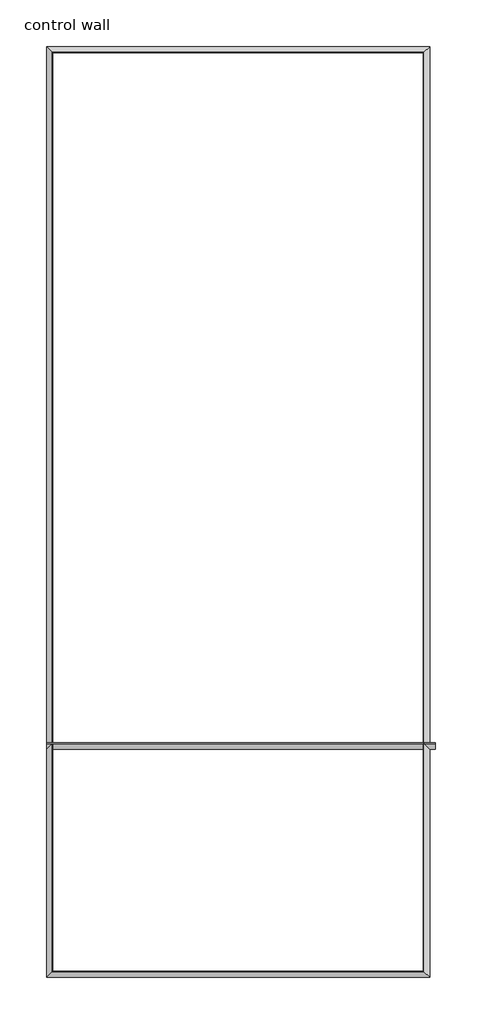
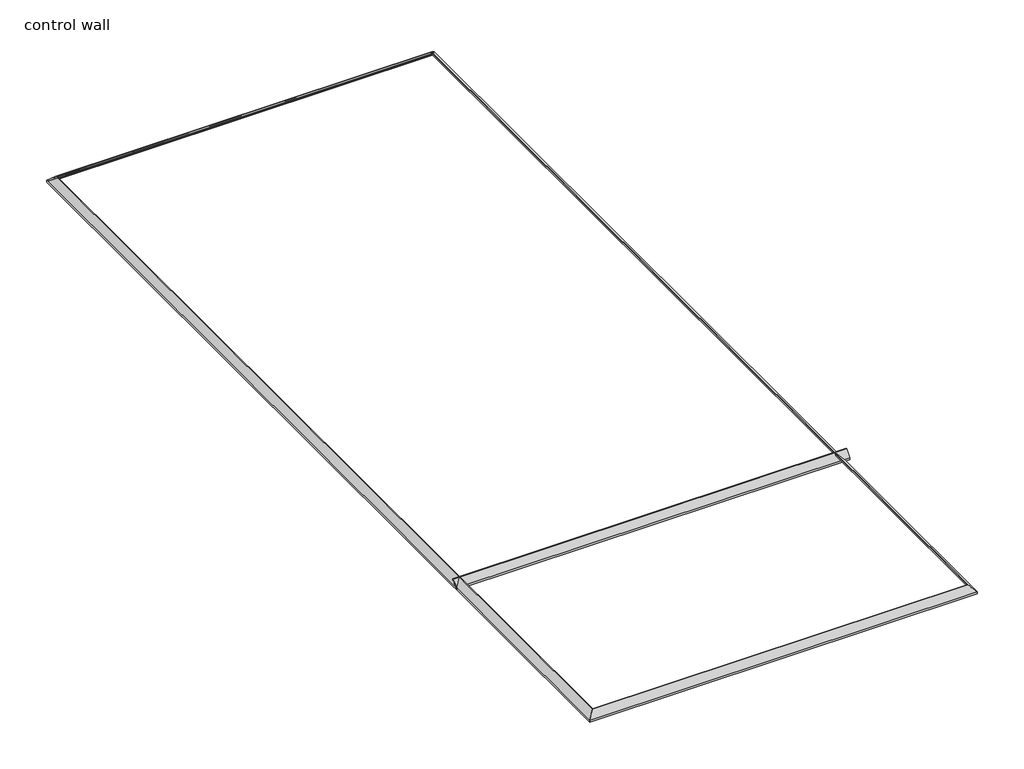
# One storey: 5 proxies.
"""IFC4 building model written with IfcOpenShell, lengths in millimetres."""

from ifc_helpers import new_model, si_unit, point, frame, frame_2d, origin, place, context, project, spatial, polyline, circle_curve, ellipse_curve, trimmed, segment, composite_curve, outline, extrude, element, save
from ifc_brep_helpers import plane_surface, cylinder_surface, revolved_surface, advanced_brep

model = new_model("IFC4")

# Units and contexts
model_context = context("Model", 3, world=origin())
ifc_project = project(units=[si_unit("LENGTHUNIT", "METRE", prefix="MILLI")], contexts=[model_context])

# Site, building, storey
site = spatial("IfcSite", under=ifc_project)
building = spatial("IfcBuilding", under=site)
storey = spatial("IfcBuildingStorey", under=building, Name="control wall", Elevation=2133.6)

# Proxies
placement = place(None, origin())
element("IfcBuildingElementProxy", 1, Name="Wall Sweeps", at=placement, inside=storey, context=model_context, shape_type="AdvancedBrep", body=[
    advanced_brep(
    [(23028.5034085, -20218.7482964, 2982.9793892), (22963.4827977, -20153.7276856, 3048.0), (22955.3800997, -20145.6249876, 3048.0), (22955.3800997, -20145.6249876, 3028.95), (22965.0034085, -20155.2482964, 3028.95), (22985.5280884, -20175.7729763, 3008.4253202), (23006.0527682, -20196.2976561, 2987.9006403), (23006.0527682, -20196.2976561, 2981.5506403), (23019.5231524, -20209.7680403, 2968.0802561), (23019.5231524, -20209.7680403, 2959.1), (23028.5034085, -20218.7482964, 2959.1), (23028.5034085, -9553.9232964, 2982.9793892), (23028.5034085, -9553.9232964, 2959.1), (23019.5231524, -9562.9035525, 2959.1), (23019.5231524, -9562.9035525, 2968.0802561), (23006.0527682, -9576.3739367, 2981.5506403), (23006.0527682, -9576.3739367, 2987.9006403), (22985.5280884, -9596.8986166, 3008.4253202), (22965.0034085, -9617.4232964, 3028.95), (22955.3800997, -9627.0466052, 3028.95), (22955.3800997, -9627.0466052, 3048.0), (22963.4827977, -9618.9439072, 3048.0)],
    [
        (0, 1),
        (1, 2),
        (2, 3),
        (3, 4),
        (4, 5, ellipse_curve(frame((22965.0034085, -20155.2482964, 3008.4253202), z_axis=(0.7071067811865547, 0.7071067811865405, 0.0), x_axis=(-0.7071067811865406, 0.7071067811865545, 0.0)), 29.0262806, 20.5246798)),
        (5, 6, ellipse_curve(frame((23006.0527682, -20196.2976561, 3008.4253202), z_axis=(-0.7071067811865547, -0.7071067811865405, 0.0), x_axis=(0.7071067811865406, -0.7071067811865545, 0.0)), 29.0262806, 20.5246798)),
        (6, 7),
        (7, 8, ellipse_curve(frame((23006.0527682, -20196.2976561, 2968.0802561), z_axis=(0.7071067811865547, 0.7071067811865405, 0.0), x_axis=(-0.7071067811865406, 0.7071067811865545, 0.0)), 19.05, 13.4703842)),
        (8, 9),
        (9, 10),
        (10, 0),
        (11, 12),
        (12, 13),
        (13, 14),
        (14, 15, ellipse_curve(frame((23006.0527682, -9576.3739367, 2968.0802561), z_axis=(0.707106781186544, -0.7071067811865511, 0.0), x_axis=(0.7071067811865511, 0.7071067811865438, 0.0)), 19.05, 13.4703842)),
        (15, 16),
        (16, 17, ellipse_curve(frame((23006.0527682, -9576.3739367, 3008.4253202), z_axis=(-0.707106781186544, 0.7071067811865511, 0.0), x_axis=(-0.7071067811865511, -0.7071067811865438, 0.0)), 29.0262806, 20.5246798)),
        (17, 18, ellipse_curve(frame((22965.0034085, -9617.4232964, 3008.4253202), z_axis=(0.707106781186544, -0.7071067811865511, 0.0), x_axis=(0.7071067811865511, 0.7071067811865438, 0.0)), 29.0262806, 20.5246798)),
        (18, 19),
        (19, 20),
        (20, 21),
        (21, 11),
        (10, 12),
        (11, 0),
        (1, 21),
        (20, 2),
        (19, 3),
        (18, 4),
        (17, 5),
        (16, 6),
        (15, 7),
        (14, 8),
        (13, 9),
    ],
    [
        plane_surface(frame((23028.5034085, -20218.7482964, 2654.3), z_axis=(-0.7071067811865547, -0.7071067811865405, 0.0), x_axis=(-0.7071067811865405, 0.7071067811865547, 0.0))),
        plane_surface(frame((23028.5034085, -9553.9232964, 2654.3), z_axis=(-0.707106781186544, 0.7071067811865511, 0.0), x_axis=(-0.7071067811865511, -0.707106781186544, 0.0))),
        plane_surface(frame((23028.5034085, -20218.7482964, 2959.1), z_axis=(1.0, 0.0, 0.0), x_axis=(0.0, 1.0, 0.0))),
        plane_surface(frame((22963.4827977, -20153.7276856, 3048.0), z_axis=(0.0, 0.0, 1.0), x_axis=(0.0, 1.0, 0.0))),
        plane_surface(frame((23028.5034085, -20218.7482964, 2982.9793892), z_axis=(0.707106781186547, 0.0, 0.707106781186548), x_axis=(0.0, 1.0, 0.0))),
        plane_surface(frame((22955.3800997, -20145.6249876, 3048.0), z_axis=(-1.0, 0.0, 0.0), x_axis=(0.0, 1.0, 0.0))),
        plane_surface(frame((22955.3800997, -20145.6249876, 3028.95), z_axis=(0.0, 0.0, -1.0), x_axis=(0.0, 1.0, 0.0))),
        revolved_surface(polyline([(22944.4787287, -9596.898616555116, 3008.4253202), (22944.4787287, -20175.7729763, 3008.4253202)]), (22965.0034085, -20218.7482964, 3008.4253202), (0.0, 1.0, 0.0)),
        cylinder_surface(frame((23006.0527682, -20218.7482964, 3008.4253202), z_axis=(0.0, -1.0, 0.0), x_axis=(-1.0, 0.0, 0.0)), 20.5246798),
        plane_surface(frame((23006.0527682, -20196.2976561, 2987.9006403), z_axis=(-1.0, 0.0, 0.0), x_axis=(0.0, 1.0, 0.0))),
        revolved_surface(polyline([(22992.582383999998, -9562.9035525, 2968.0802561), (22992.582383999998, -20209.7680403, 2968.0802561)]), (23006.0527682, -20218.7482964, 2968.0802561), (0.0, 1.0, 0.0)),
        plane_surface(frame((23019.5231524, -20209.7680403, 2968.0802561), z_axis=(-1.0, 0.0, 0.0), x_axis=(0.0, 1.0, 0.0))),
        plane_surface(frame((23019.5231524, -20209.7680403, 2959.1), z_axis=(0.0, 0.0, -1.0), x_axis=(0.0, 1.0, 0.0))),
    ],
    [
        (0, [[1, 2, 3, 4, 5, 6, 7, 8, 9, 10, 11]]),
        (1, [[12, 13, 14, 15, 16, 17, 18, 19, 20, 21, 22]]),
        (2, [[-11, 23, -12, 24]]),
        (3, [[-2, 25, -21, 26]]),
        (4, [[-1, -24, -22, -25]]),
        (5, [[-3, -26, -20, 27]]),
        (6, [[-4, -27, -19, 28]]),
        (7, [[-5, -28, -18, 29]]),
        (8, [[-6, -29, -17, 30]]),
        (9, [[-7, -30, -16, 31]]),
        (10, [[-8, -31, -15, 32]]),
        (11, [[-9, -32, -14, 33]]),
        (12, [[-10, -33, -13, -23]]),
    ],
),
])
element("IfcBuildingElementProxy", 2, Name="Wall Sweeps", at=placement, inside=storey, context=model_context, shape_type="AdvancedBrep", body=[
    advanced_brep(
    [(23028.5034085, -9553.9232964, 2982.9793892), (22963.4827977, -9618.9439072, 3048.0), (22955.3800997, -9627.0466052, 3048.0), (22955.3800997, -9627.0466052, 3028.95), (22965.0034085, -9617.4232964, 3028.95), (22985.5280884, -9596.8986166, 3008.4253202), (23006.0527682, -9576.3739367, 2987.9006403), (23006.0527682, -9576.3739367, 2981.5506403), (23019.5231524, -9562.9035525, 2968.0802561), (23019.5231524, -9562.9035525, 2959.1), (23028.5034085, -9553.9232964, 2959.1), (18634.3034085, -9553.9232964, 2982.9793892), (18634.3034085, -9553.9232964, 2959.1), (18643.2836647, -9562.9035525, 2959.1), (18643.2836647, -9562.9035525, 2968.0802561), (18656.7540489, -9576.3739367, 2981.5506403), (18656.7540489, -9576.3739367, 2987.9006403), (18677.2787287, -9596.8986166, 3008.4253202), (18697.8034085, -9617.4232964, 3028.95), (18707.4267173, -9627.0466052, 3028.95), (18707.4267173, -9627.0466052, 3048.0), (18699.3240194, -9618.9439072, 3048.0)],
    [
        (0, 1),
        (1, 2),
        (2, 3),
        (3, 4),
        (4, 5, ellipse_curve(frame((22965.0034085, -9617.4232964, 3008.4253202), z_axis=(-0.707106781186544, 0.7071067811865511, 0.0), x_axis=(-0.707106781186551, -0.707106781186544, 0.0)), 29.0262806, 20.5246798)),
        (5, 6, ellipse_curve(frame((23006.0527682, -9576.3739367, 3008.4253202), z_axis=(0.707106781186544, -0.7071067811865511, 0.0), x_axis=(0.707106781186551, 0.707106781186544, 0.0)), 29.0262806, 20.5246798)),
        (6, 7),
        (7, 8, ellipse_curve(frame((23006.0527682, -9576.3739367, 2968.0802561), z_axis=(-0.707106781186544, 0.7071067811865511, 0.0), x_axis=(-0.707106781186551, -0.707106781186544, 0.0)), 19.05, 13.4703842)),
        (8, 9),
        (9, 10),
        (10, 0),
        (11, 12),
        (12, 13),
        (13, 14),
        (14, 15, ellipse_curve(frame((18656.7540489, -9576.3739367, 2968.0802561), z_axis=(0.7071067811865476, 0.7071067811865476, 0.0), x_axis=(-0.7071067811865474, 0.7071067811865477, 0.0)), 19.05, 13.4703842)),
        (15, 16),
        (16, 17, ellipse_curve(frame((18656.7540489, -9576.3739367, 3008.4253202), z_axis=(-0.7071067811865476, -0.7071067811865476, 0.0), x_axis=(0.7071067811865474, -0.7071067811865477, 0.0)), 29.0262806, 20.5246798)),
        (17, 18, ellipse_curve(frame((18697.8034085, -9617.4232964, 3008.4253202), z_axis=(0.7071067811865476, 0.7071067811865476, 0.0), x_axis=(-0.7071067811865474, 0.7071067811865477, 0.0)), 29.0262806, 20.5246798)),
        (18, 19),
        (19, 20),
        (20, 21),
        (21, 11),
        (1, 21),
        (20, 2),
        (10, 12),
        (11, 0),
        (19, 3),
        (18, 4),
        (17, 5),
        (16, 6),
        (15, 7),
        (14, 8),
        (13, 9),
    ],
    [
        plane_surface(frame((23028.5034085, -9553.9232964, 2654.3), z_axis=(0.707106781186544, -0.7071067811865511, 0.0), x_axis=(-0.7071067811865511, -0.707106781186544, 0.0))),
        plane_surface(frame((18634.3034085, -9553.9232964, 2654.3), z_axis=(-0.7071067811865476, -0.7071067811865476, 0.0), x_axis=(0.7071067811865476, -0.7071067811865476, 0.0))),
        plane_surface(frame((22963.4827977, -9618.9439072, 3048.0), z_axis=(0.0, 0.0, 1.0), x_axis=(-1.0, 0.0, 0.0))),
        plane_surface(frame((23028.5034085, -9553.9232964, 2959.1), z_axis=(0.0, 1.0, 0.0), x_axis=(-1.0, 0.0, 0.0))),
        plane_surface(frame((23028.5034085, -9553.9232964, 2982.9793892), z_axis=(0.0, 0.707106781186547, 0.707106781186548), x_axis=(-1.0, 0.0, 0.0))),
        plane_surface(frame((22955.3800997, -9627.0466052, 3048.0), z_axis=(0.0, -1.0, 0.0), x_axis=(-1.0, 0.0, 0.0))),
        plane_surface(frame((22955.3800997, -9627.0466052, 3028.95), z_axis=(0.0, 0.0, -1.0), x_axis=(-1.0, 0.0, 0.0))),
        revolved_surface(polyline([(18677.278728655117, -9637.947976200001, 3008.4253202), (22985.5280884, -9637.947976200001, 3008.4253202)]), (23028.5034085, -9617.4232964, 3008.4253202), (-1.0, 0.0, 0.0)),
        cylinder_surface(frame((23028.5034085, -9576.3739367, 3008.4253202), z_axis=(1.0, 0.0, 0.0), x_axis=(0.0, -1.0, 0.0)), 20.5246798),
        plane_surface(frame((23006.0527682, -9576.3739367, 2987.9006403), z_axis=(0.0, -1.0, 0.0), x_axis=(-1.0, 0.0, 0.0))),
        revolved_surface(polyline([(18643.2836647, -9589.8443209, 2968.0802561), (23019.5231524, -9589.8443209, 2968.0802561)]), (23028.5034085, -9576.3739367, 2968.0802561), (-1.0, 0.0, 0.0)),
        plane_surface(frame((23019.5231524, -9562.9035525, 2968.0802561), z_axis=(0.0, -1.0, 0.0), x_axis=(-1.0, 0.0, 0.0))),
        plane_surface(frame((23019.5231524, -9562.9035525, 2959.1), z_axis=(0.0, 0.0, -1.0), x_axis=(-1.0, 0.0, 0.0))),
    ],
    [
        (0, [[1, 2, 3, 4, 5, 6, 7, 8, 9, 10, 11]]),
        (1, [[12, 13, 14, 15, 16, 17, 18, 19, 20, 21, 22]]),
        (2, [[-2, 23, -21, 24]]),
        (3, [[-11, 25, -12, 26]]),
        (4, [[-1, -26, -22, -23]]),
        (5, [[-3, -24, -20, 27]]),
        (6, [[-4, -27, -19, 28]]),
        (7, [[-5, -28, -18, 29]]),
        (8, [[-6, -29, -17, 30]]),
        (9, [[-7, -30, -16, 31]]),
        (10, [[-8, -31, -15, 32]]),
        (11, [[-9, -32, -14, 33]]),
        (12, [[-10, -33, -13, -25]]),
    ],
),
])
element("IfcBuildingElementProxy", 3, Name="Wall Sweeps", at=placement, inside=storey, context=model_context, shape_type="AdvancedBrep", body=[
    advanced_brep(
    [(18634.3034085, -9553.9232964, 2982.9793892), (18699.3240194, -9618.9439072, 3048.0), (18707.4267173, -9627.0466052, 3048.0), (18707.4267173, -9627.0466052, 3028.95), (18697.8034085, -9617.4232964, 3028.95), (18677.2787287, -9596.8986166, 3008.4253202), (18656.7540489, -9576.3739367, 2987.9006403), (18656.7540489, -9576.3739367, 2981.5506403), (18643.2836647, -9562.9035525, 2968.0802561), (18643.2836647, -9562.9035525, 2959.1), (18634.3034085, -9553.9232964, 2959.1), (18634.3034085, -20218.7482964, 2982.9793892), (18634.3034085, -20218.7482964, 2959.1), (18643.2836647, -20209.7680403, 2959.1), (18643.2836647, -20209.7680403, 2968.0802561), (18656.7540489, -20196.2976561, 2981.5506403), (18656.7540489, -20196.2976561, 2987.9006403), (18677.2787287, -20175.7729763, 3008.4253202), (18697.8034085, -20155.2482964, 3028.95), (18707.4267173, -20145.6249876, 3028.95), (18707.4267173, -20145.6249876, 3048.0), (18699.3240194, -20153.7276856, 3048.0)],
    [
        (0, 1),
        (1, 2),
        (2, 3),
        (3, 4),
        (4, 5, ellipse_curve(frame((18697.8034085, -9617.4232964, 3008.4253202), z_axis=(-0.7071067811865476, -0.7071067811865476, 0.0), x_axis=(0.7071067811865475, -0.7071067811865475, 0.0)), 29.0262806, 20.5246798)),
        (5, 6, ellipse_curve(frame((18656.7540489, -9576.3739367, 3008.4253202), z_axis=(0.7071067811865476, 0.7071067811865476, 0.0), x_axis=(-0.7071067811865475, 0.7071067811865475, 0.0)), 29.0262806, 20.5246798)),
        (6, 7),
        (7, 8, ellipse_curve(frame((18656.7540489, -9576.3739367, 2968.0802561), z_axis=(-0.7071067811865476, -0.7071067811865476, 0.0), x_axis=(0.7071067811865475, -0.7071067811865475, 0.0)), 19.05, 13.4703842)),
        (8, 9),
        (9, 10),
        (10, 0),
        (11, 12),
        (12, 13),
        (13, 14),
        (14, 15, ellipse_curve(frame((18656.7540489, -20196.2976561, 2968.0802561), z_axis=(-0.707106781186544, 0.7071067811865511, 0.0), x_axis=(-0.7071067811865511, -0.7071067811865439, 0.0)), 19.05, 13.4703842)),
        (15, 16),
        (16, 17, ellipse_curve(frame((18656.7540489, -20196.2976561, 3008.4253202), z_axis=(0.707106781186544, -0.7071067811865511, 0.0), x_axis=(0.7071067811865511, 0.7071067811865439, 0.0)), 29.0262806, 20.5246798)),
        (17, 18, ellipse_curve(frame((18697.8034085, -20155.2482964, 3008.4253202), z_axis=(-0.707106781186544, 0.7071067811865511, 0.0), x_axis=(-0.7071067811865511, -0.7071067811865439, 0.0)), 29.0262806, 20.5246798)),
        (18, 19),
        (19, 20),
        (20, 21),
        (21, 11),
        (1, 21),
        (20, 2),
        (10, 12),
        (11, 0),
        (19, 3),
        (18, 4),
        (17, 5),
        (16, 6),
        (15, 7),
        (14, 8),
        (13, 9),
    ],
    [
        plane_surface(frame((18634.3034085, -9553.9232964, 2654.3), z_axis=(0.7071067811865476, 0.7071067811865476, 0.0), x_axis=(0.7071067811865476, -0.7071067811865476, 0.0))),
        plane_surface(frame((18634.3034085, -20218.7482964, 2654.3), z_axis=(0.707106781186544, -0.7071067811865511, 0.0), x_axis=(0.7071067811865511, 0.707106781186544, 0.0))),
        plane_surface(frame((18699.3240194, -9618.9439072, 3048.0), z_axis=(0.0, 0.0, 1.0), x_axis=(0.0, -1.0, 0.0))),
        plane_surface(frame((18634.3034085, -9553.9232964, 2959.1), z_axis=(-1.0, 0.0, 0.0), x_axis=(0.0, -1.0, 0.0))),
        plane_surface(frame((18634.3034085, -9553.9232964, 2982.9793892), z_axis=(-0.707106781186547, 0.0, 0.707106781186548), x_axis=(0.0, -1.0, 0.0))),
        plane_surface(frame((18707.4267173, -9627.0466052, 3048.0), z_axis=(1.0, 0.0, 0.0), x_axis=(0.0, -1.0, 0.0))),
        plane_surface(frame((18707.4267173, -9627.0466052, 3028.95), z_axis=(0.0, 0.0, -1.0), x_axis=(0.0, -1.0, 0.0))),
        revolved_surface(polyline([(18718.3280883, -20175.7729763, 3008.4253202), (18718.3280883, -9596.898616555116, 3008.4253202)]), (18697.8034085, -9553.9232964, 3008.4253202), (0.0, -1.0, 0.0)),
        cylinder_surface(frame((18656.7540489, -9553.9232964, 3008.4253202), z_axis=(0.0, 1.0, 0.0), x_axis=(1.0, 0.0, 0.0)), 20.5246798),
        plane_surface(frame((18656.7540489, -9576.3739367, 2987.9006403), z_axis=(1.0, 0.0, 0.0), x_axis=(0.0, -1.0, 0.0))),
        revolved_surface(polyline([(18670.2244331, -20209.7680403, 2968.0802561), (18670.2244331, -9562.9035525, 2968.0802561)]), (18656.7540489, -9553.9232964, 2968.0802561), (0.0, -1.0, 0.0)),
        plane_surface(frame((18643.2836647, -9562.9035525, 2968.0802561), z_axis=(1.0, 0.0, 0.0), x_axis=(0.0, -1.0, 0.0))),
        plane_surface(frame((18643.2836647, -9562.9035525, 2959.1), z_axis=(0.0, 0.0, -1.0), x_axis=(0.0, -1.0, 0.0))),
    ],
    [
        (0, [[1, 2, 3, 4, 5, 6, 7, 8, 9, 10, 11]]),
        (1, [[12, 13, 14, 15, 16, 17, 18, 19, 20, 21, 22]]),
        (2, [[-2, 23, -21, 24]]),
        (3, [[-11, 25, -12, 26]]),
        (4, [[-1, -26, -22, -23]]),
        (5, [[-3, -24, -20, 27]]),
        (6, [[-4, -27, -19, 28]]),
        (7, [[-5, -28, -18, 29]]),
        (8, [[-6, -29, -17, 30]]),
        (9, [[-7, -30, -16, 31]]),
        (10, [[-8, -31, -15, 32]]),
        (11, [[-9, -32, -14, 33]]),
        (12, [[-10, -33, -13, -25]]),
    ],
),
])
element("IfcBuildingElementProxy", 4, Name="Wall Sweeps", at=placement, inside=storey, context=model_context, shape_type="AdvancedBrep", body=[
    advanced_brep(
    [(18634.3034085, -20218.7482964, 2982.9793892), (18699.3240194, -20153.7276856, 3048.0), (18707.4267173, -20145.6249876, 3048.0), (18707.4267173, -20145.6249876, 3028.95), (18697.8034085, -20155.2482964, 3028.95), (18677.2787287, -20175.7729763, 3008.4253202), (18656.7540489, -20196.2976561, 2987.9006403), (18656.7540489, -20196.2976561, 2981.5506403), (18643.2836647, -20209.7680403, 2968.0802561), (18643.2836647, -20209.7680403, 2959.1), (18634.3034085, -20218.7482964, 2959.1), (23028.5034085, -20218.7482964, 2982.9793892), (23028.5034085, -20218.7482964, 2959.1), (23019.5231524, -20209.7680403, 2959.1), (23019.5231524, -20209.7680403, 2968.0802561), (23006.0527682, -20196.2976561, 2981.5506403), (23006.0527682, -20196.2976561, 2987.9006403), (22985.5280884, -20175.7729763, 3008.4253202), (22965.0034085, -20155.2482964, 3028.95), (22955.3800997, -20145.6249876, 3028.95), (22955.3800997, -20145.6249876, 3048.0), (22963.4827977, -20153.7276856, 3048.0)],
    [
        (0, 1),
        (1, 2),
        (2, 3),
        (3, 4),
        (4, 5, ellipse_curve(frame((18697.8034085, -20155.2482964, 3008.4253202), z_axis=(0.707106781186544, -0.7071067811865511, 0.0), x_axis=(0.7071067811865509, 0.7071067811865439, 0.0)), 29.0262806, 20.5246798)),
        (5, 6, ellipse_curve(frame((18656.7540489, -20196.2976561, 3008.4253202), z_axis=(-0.707106781186544, 0.7071067811865511, 0.0), x_axis=(-0.7071067811865509, -0.7071067811865439, 0.0)), 29.0262806, 20.5246798)),
        (6, 7),
        (7, 8, ellipse_curve(frame((18656.7540489, -20196.2976561, 2968.0802561), z_axis=(0.707106781186544, -0.7071067811865511, 0.0), x_axis=(0.7071067811865509, 0.7071067811865439, 0.0)), 19.05, 13.4703842)),
        (8, 9),
        (9, 10),
        (10, 0),
        (11, 12),
        (12, 13),
        (13, 14),
        (14, 15, ellipse_curve(frame((23006.0527682, -20196.2976561, 2968.0802561), z_axis=(-0.7071067811865547, -0.7071067811865405, 0.0), x_axis=(0.7071067811865405, -0.7071067811865547, 0.0)), 19.05, 13.4703842)),
        (15, 16),
        (16, 17, ellipse_curve(frame((23006.0527682, -20196.2976561, 3008.4253202), z_axis=(0.7071067811865547, 0.7071067811865405, 0.0), x_axis=(-0.7071067811865405, 0.7071067811865547, 0.0)), 29.0262806, 20.5246798)),
        (17, 18, ellipse_curve(frame((22965.0034085, -20155.2482964, 3008.4253202), z_axis=(-0.7071067811865547, -0.7071067811865405, 0.0), x_axis=(0.7071067811865405, -0.7071067811865547, 0.0)), 29.0262806, 20.5246798)),
        (18, 19),
        (19, 20),
        (20, 21),
        (21, 11),
        (1, 21),
        (20, 2),
        (10, 12),
        (11, 0),
        (19, 3),
        (18, 4),
        (17, 5),
        (16, 6),
        (15, 7),
        (14, 8),
        (13, 9),
    ],
    [
        plane_surface(frame((18634.3034085, -20218.7482964, 2654.3), z_axis=(-0.707106781186544, 0.7071067811865511, 0.0), x_axis=(0.7071067811865511, 0.707106781186544, 0.0))),
        plane_surface(frame((23028.5034085, -20218.7482964, 2654.3), z_axis=(0.7071067811865547, 0.7071067811865405, 0.0), x_axis=(-0.7071067811865405, 0.7071067811865547, 0.0))),
        plane_surface(frame((18699.3240194, -20153.7276856, 3048.0), z_axis=(0.0, 0.0, 1.0), x_axis=(1.0, 0.0, 0.0))),
        plane_surface(frame((18634.3034085, -20218.7482964, 2959.1), z_axis=(0.0, -1.0, 0.0), x_axis=(1.0, 0.0, 0.0))),
        plane_surface(frame((18634.3034085, -20218.7482964, 2982.9793892), z_axis=(0.0, -0.707106781186547, 0.707106781186548), x_axis=(1.0, 0.0, 0.0))),
        plane_surface(frame((18707.4267173, -20145.6249876, 3048.0), z_axis=(0.0, 1.0, 0.0), x_axis=(1.0, 0.0, 0.0))),
        plane_surface(frame((18707.4267173, -20145.6249876, 3028.95), z_axis=(0.0, 0.0, -1.0), x_axis=(1.0, 0.0, 0.0))),
        revolved_surface(polyline([(22985.5280884, -20134.7236166, 3008.4253202), (18677.278728655117, -20134.7236166, 3008.4253202)]), (18634.3034085, -20155.2482964, 3008.4253202), (1.0, 0.0, 0.0)),
        cylinder_surface(frame((18634.3034085, -20196.2976561, 3008.4253202), z_axis=(-1.0, 0.0, 0.0), x_axis=(0.0, 1.0, 0.0)), 20.5246798),
        plane_surface(frame((18656.7540489, -20196.2976561, 2987.9006403), z_axis=(0.0, 1.0, 0.0), x_axis=(1.0, 0.0, 0.0))),
        revolved_surface(polyline([(23019.5231524, -20182.827271899998, 2968.0802561), (18643.2836647, -20182.827271899998, 2968.0802561)]), (18634.3034085, -20196.2976561, 2968.0802561), (1.0, 0.0, 0.0)),
        plane_surface(frame((18643.2836647, -20209.7680403, 2968.0802561), z_axis=(0.0, 1.0, 0.0), x_axis=(1.0, 0.0, 0.0))),
        plane_surface(frame((18643.2836647, -20209.7680403, 2959.1), z_axis=(0.0, 0.0, -1.0), x_axis=(1.0, 0.0, 0.0))),
    ],
    [
        (0, [[1, 2, 3, 4, 5, 6, 7, 8, 9, 10, 11]]),
        (1, [[12, 13, 14, 15, 16, 17, 18, 19, 20, 21, 22]]),
        (2, [[-2, 23, -21, 24]]),
        (3, [[-11, 25, -12, 26]]),
        (4, [[-1, -26, -22, -23]]),
        (5, [[-3, -24, -20, 27]]),
        (6, [[-4, -27, -19, 28]]),
        (7, [[-5, -28, -18, 29]]),
        (8, [[-6, -29, -17, 30]]),
        (9, [[-7, -30, -16, 31]]),
        (10, [[-8, -31, -15, 32]]),
        (11, [[-9, -32, -14, 33]]),
        (12, [[-10, -33, -13, -25]]),
    ],
),
])
element("IfcBuildingElementProxy", 5, Name="Wall Sweeps", at=placement, inside=storey, context=model_context, shape_type="SweptSolid", body=[
    extrude(outline(composite_curve([segment(polyline([(-17605.7232964, 2982.9793892), (-17540.7026856, 3048.0), (-17532.5999876, 3048.0), (-17532.5999876, 3028.95), (-17542.2232964, 3028.95)]), True, "CONTINUOUS"), segment(trimmed(circle_curve(frame_2d((-17542.2232964, 3008.4253202)), 20.5246798), [point((-17542.2232964, 3028.95))], [point((-17562.7479763, 3008.4253202))], True, "CARTESIAN"), True, "CONTINUOUS"), segment(trimmed(circle_curve(frame_2d((-17583.2726561, 3008.4253202)), 20.5246798), [point((-17562.7479763, 3008.4253202))], [point((-17583.2726561, 2987.9006403))], False, "CARTESIAN"), True, "CONTINUOUS"), segment(polyline([(-17583.2726561, 2987.9006403), (-17583.2726561, 2981.5506403)]), True, "CONTINUOUS"), segment(trimmed(circle_curve(frame_2d((-17583.2726561, 2968.0802561)), 13.4703842), [point((-17583.2726561, 2981.5506403))], [point((-17596.7430403, 2968.0802561))], True, "CARTESIAN"), True, "CONTINUOUS"), segment(polyline([(-17596.7430403, 2968.0802561), (-17596.7430403, 2959.1), (-17605.7232964, 2959.1), (-17605.7232964, 2982.9793892)]), True, "CONTINUOUS")], self_intersect=False)), frame((18634.3034085, 0.0, 0.0), z_axis=(1.0, 0.0, 0.0), x_axis=(0.0, 1.0, 0.0)), (0.0, 0.0, 1.0), 4456.1125),
])

save(model, "model.ifc")
